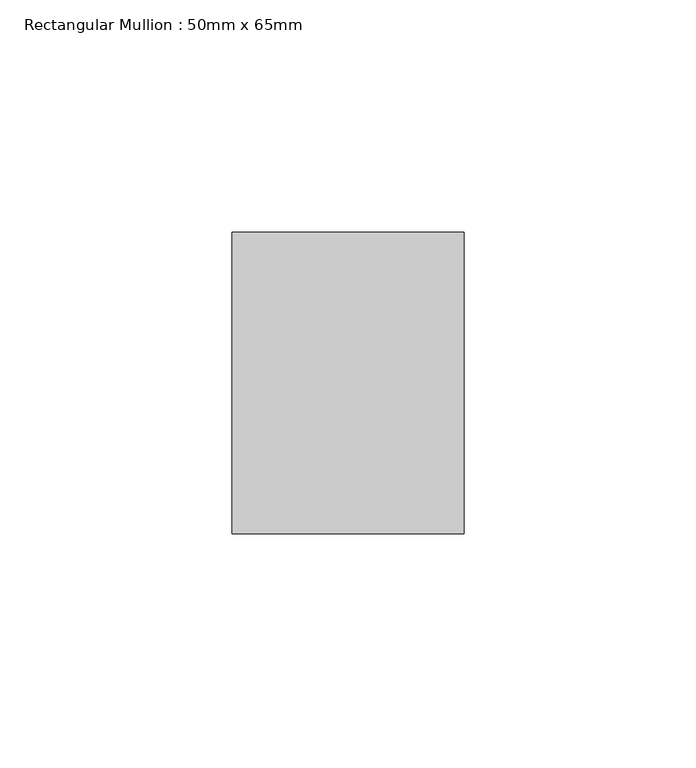
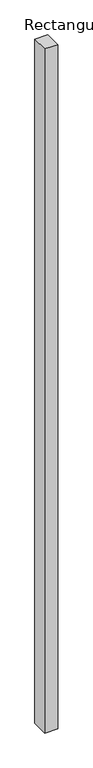
"""IFC4 building model written with IfcOpenShell, lengths in millimetres: member geometry, Rectangular Mullion : 50mm x 65mm."""

from ifc_helpers import new_model, si_unit, frame, origin, place, context, project, spatial, polyline, outline, extrude, source, transform, mapped, element, save


def rectangular_mullion_50mm_x_65mm_aa8fa5d2(model_context):
    return source(origin(), model_context, "Body", "SweptSolid", [
        extrude(outline(polyline([(25.0, 32.5), (25.0, -32.5), (-25.0, -32.5), (-25.0, 32.5), (25.0, 32.5)])), frame((0.0, 0.0, -2773.8908287), z_axis=(0.0, 0.0, 1.0), x_axis=(1.0, 0.0, 0.0)), (0.0, 0.0, 1.0), 2773.8908287),
    ])


if __name__ == "__main__":
    model = new_model("IFC4")
    model_context = context("Model", 3, world=origin())
    ifc_project = project(units=[si_unit("LENGTHUNIT", "METRE", prefix="MILLI")], contexts=[model_context])
    site = spatial("IfcSite", under=ifc_project)
    building = spatial("IfcBuilding", under=site)
    placement = place(None, origin())
    rectangular_mullion_50mm_x_65mm_shape = rectangular_mullion_50mm_x_65mm_aa8fa5d2(model_context)
    element("IfcMember", 1, ObjectType="Rectangular Mullion : 50mm x 65mm", at=placement, inside=building, context=model_context, shape_type="MappedRepresentation", body=[
        mapped(rectangular_mullion_50mm_x_65mm_shape, transform((0.0, 0.0, 0.0), x_axis=(1.0, 0.0, 0.0), y_axis=(0.0, 1.0, 0.0), z_axis=(0.0, 0.0, 1.0))),
    ])
    save(model, "model.ifc")
